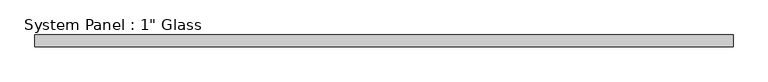
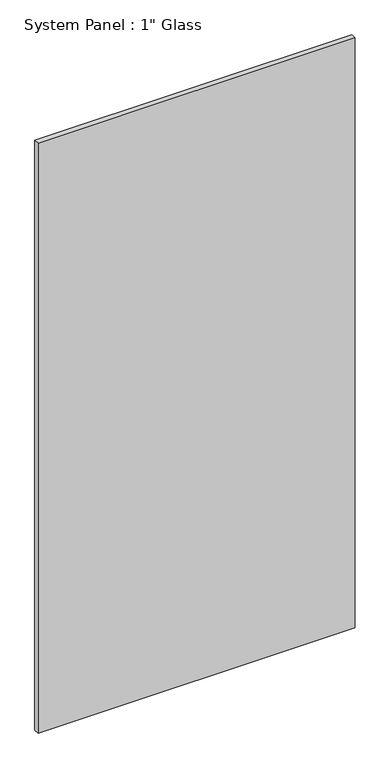
"""IFC4 building model written with IfcOpenShell, lengths in millimetres: plate geometry."""

from ifc_helpers import new_model, si_unit, origin, origin_with_axes, place, context, project, spatial, polyline, outline, extrude, source, transform, mapped, element, save


def plate_5237d0e9(model_context):
    return source(origin(), model_context, "Body", "SweptSolid", [
        extrude(outline(polyline([(752.9091185, -12.7), (-752.9091185, -12.7), (-752.9091185, 12.7), (752.9091185, 12.7), (752.9091185, -12.7)])), origin_with_axes(), (0.0, 0.0, 1.0), 2959.1),
    ])


if __name__ == "__main__":
    model = new_model("IFC4")
    model_context = context("Model", 3, world=origin())
    ifc_project = project(units=[si_unit("LENGTHUNIT", "METRE", prefix="MILLI")], contexts=[model_context])
    site = spatial("IfcSite", under=ifc_project)
    building = spatial("IfcBuilding", under=site)
    placement = place(None, origin())
    plate_shape = plate_5237d0e9(model_context)
    element("IfcPlate", 1, ObjectType="System Panel : 1\" Glass", at=placement, inside=building, context=model_context, shape_type="MappedRepresentation", body=[
        mapped(plate_shape, transform((0.0, 0.0, 0.0), x_axis=(1.0, 0.0, 0.0), y_axis=(0.0, 1.0, 0.0), z_axis=(0.0, 0.0, 1.0))),
    ])
    save(model, "model.ifc")
